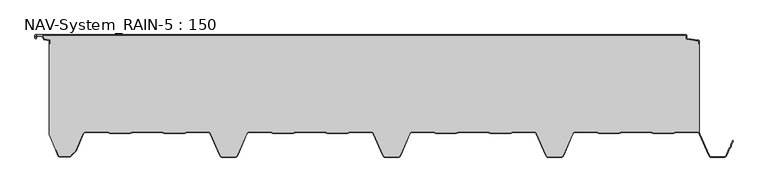
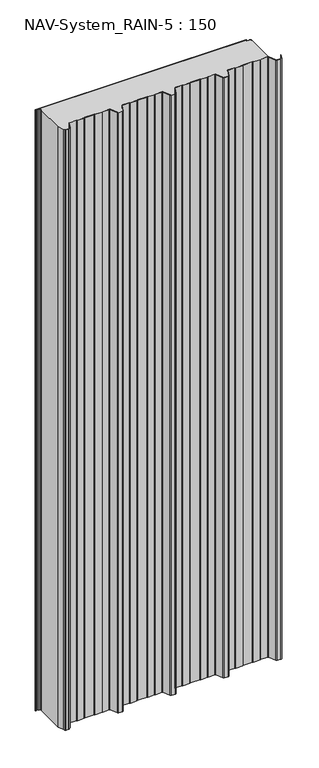
"""IFC4 building model written with IfcOpenShell, lengths in millimetres: plate geometry, NAV-System_RAIN-5 : 150."""

from ifc_helpers import new_model, si_unit, point, frame_2d, origin, origin_with_axes, place, context, project, spatial, polyline, circle_curve, trimmed, segment, composite_curve, outline, extrude, source, transform, mapped, element, save


def nav_system_rain_5_150_879e4a34(model_context):
    return source(origin(), model_context, "Body", "SweptSolid", [
        extrude(outline(composite_curve([segment(polyline([(519.0, -13.6767555), (518.2, -13.6767555), (518.2, -9.3721283), (500.4911207, -6.8818536)]), True, "CONTINUOUS"), segment(trimmed(circle_curve(frame_2d((500.7, -5.3964683)), 1.5), [point((500.4911207, -6.8818536))], [point((499.2, -5.3964683))], False, "CARTESIAN"), True, "CONTINUOUS"), segment(polyline([(499.2, -5.3964683), (499.2, -0.8), (-498.7, -0.8)]), True, "CONTINUOUS"), segment(trimmed(circle_curve(frame_2d((-498.7, -1.3)), 0.5), [point((-498.7, -0.8))], [point((-499.2, -1.3))], True, "CARTESIAN"), True, "CONTINUOUS"), segment(polyline([(-499.2, -1.3), (-499.2, -4.3700191)]), True, "CONTINUOUS"), segment(trimmed(circle_curve(frame_2d((-498.7, -4.3700191)), 0.5), [point((-499.2, -4.3700191))], [point((-498.2669873, -4.6200191))], True, "CARTESIAN"), True, "CONTINUOUS"), segment(polyline([(-498.2669873, -4.6200191), (-496.2924383, -1.2), (-488.9841833, -1.2), (-485.8164586, -6.6866602), (-477.2, -7.898332), (-477.2, -13.6767555), (-478.0, -13.6767555), (-478.0, -8.5937048), (-485.6863953, -7.5128213)]), True, "CONTINUOUS"), segment(trimmed(circle_curve(frame_2d((-485.5053666, -6.2254873)), 1.3), [point((-485.6863953, -7.5128213))], [point((-486.6311996, -6.8754873))], False, "CARTESIAN"), True, "CONTINUOUS"), segment(polyline([(-486.6311996, -6.8754873), (-489.4460636, -2.0), (-495.8305581, -2.0), (-497.574167, -5.0200191)]), True, "CONTINUOUS"), segment(trimmed(circle_curve(frame_2d((-498.7, -4.3700191)), 1.3), [point((-497.574167, -5.0200191))], [point((-500.0, -4.3700191))], False, "CARTESIAN"), True, "CONTINUOUS"), segment(polyline([(-500.0, -4.3700191), (-500.0, -1.3)]), True, "CONTINUOUS"), segment(trimmed(circle_curve(frame_2d((-498.7, -1.3)), 1.3), [point((-500.0, -1.3))], [point((-498.7, 0.0))], False, "CARTESIAN"), True, "CONTINUOUS"), segment(polyline([(-498.7, 0.0), (498.7, 0.0)]), True, "CONTINUOUS"), segment(trimmed(circle_curve(frame_2d((498.7, -1.3)), 1.3), [point((498.7, 0.0))], [point((500.0, -1.3))], False, "CARTESIAN"), True, "CONTINUOUS"), segment(polyline([(500.0, -1.3), (500.0, -5.3964683)]), True, "CONTINUOUS"), segment(trimmed(circle_curve(frame_2d((500.7, -5.3964683)), 0.7), [point((500.0, -5.3964683))], [point((500.602523, -6.0896481))], True, "CARTESIAN"), True, "CONTINUOUS"), segment(polyline([(500.602523, -6.0896481), (517.8810287, -8.5194024)]), True, "CONTINUOUS"), segment(trimmed(circle_curve(frame_2d((517.7, -9.8067363)), 1.3), [point((517.8810287, -8.5194024))], [point((519.0, -9.8067363))], False, "CARTESIAN"), True, "CONTINUOUS"), segment(polyline([(519.0, -9.8067363), (519.0, -13.6767555)]), True, "CONTINUOUS")], self_intersect=False)), origin_with_axes(), (0.0, 0.0, 1.0), 3000.0),
        extrude(outline(composite_curve([segment(trimmed(circle_curve(frame_2d((515.5898022, -154.0)), 4.8), [point((519.0, -150.6220493))], [point((515.5898022, -149.2))], True, "CARTESIAN"), True, "CONTINUOUS"), segment(polyline([(515.5898022, -149.2), (483.6922468, -149.2), (479.6508228, -150.7), (448.0723788, -150.6741102), (444.1768702, -149.2), (400.3589135, -149.2), (396.3174895, -150.7), (364.7390455, -150.6741102), (360.8435369, -149.2), (328.9416341, -149.2)]), True, "CONTINUOUS"), segment(trimmed(circle_curve(frame_2d((328.9416341, -154.0)), 4.8), [point((328.9416341, -149.2))], [point((324.5314363, -152.1052295))], True, "CARTESIAN"), True, "CONTINUOUS"), segment(polyline([(324.5314363, -152.1052295), (310.330878, -185.1579242)]), True, "CONTINUOUS"), segment(trimmed(circle_curve(frame_2d((306.4719549, -183.5)), 4.2), [point((310.330878, -185.1579242))], [point((306.4719549, -187.7))], False, "CARTESIAN"), True, "CONTINUOUS"), segment(polyline([(306.4719549, -187.7), (288.0594814, -187.7)]), True, "CONTINUOUS"), segment(trimmed(circle_curve(frame_2d((288.0594814, -183.5)), 4.2), [point((288.0594814, -187.7))], [point((284.2005583, -185.1579242))], False, "CARTESIAN"), True, "CONTINUOUS"), segment(polyline([(284.2005583, -185.1579242), (270.0, -152.1052295)]), True, "CONTINUOUS"), segment(trimmed(circle_curve(frame_2d((265.5898022, -154.0)), 4.8), [point((270.0, -152.1052295))], [point((265.5898022, -149.2))], True, "CARTESIAN"), True, "CONTINUOUS"), segment(polyline([(265.5898022, -149.2), (233.6922468, -149.2), (229.6508228, -150.7), (198.0723788, -150.6741102), (194.1768702, -149.2), (150.3589135, -149.2), (146.3174895, -150.7), (114.8074622, -150.7), (110.8435369, -149.2), (78.9416341, -149.2)]), True, "CONTINUOUS"), segment(trimmed(circle_curve(frame_2d((78.9416341, -154.0)), 4.8), [point((78.9416341, -149.2))], [point((74.5314363, -152.1052295))], True, "CARTESIAN"), True, "CONTINUOUS"), segment(polyline([(74.5314363, -152.1052295), (60.330878, -185.1579242)]), True, "CONTINUOUS"), segment(trimmed(circle_curve(frame_2d((56.4719549, -183.5)), 4.2), [point((60.330878, -185.1579242))], [point((56.4719549, -187.7))], False, "CARTESIAN"), True, "CONTINUOUS"), segment(polyline([(56.4719549, -187.7), (38.0594814, -187.7)]), True, "CONTINUOUS"), segment(trimmed(circle_curve(frame_2d((38.0594814, -183.5)), 4.2), [point((38.0594814, -187.7))], [point((34.2005583, -185.1579242))], False, "CARTESIAN"), True, "CONTINUOUS"), segment(polyline([(34.2005583, -185.1579242), (20.0, -152.1052295)]), True, "CONTINUOUS"), segment(trimmed(circle_curve(frame_2d((15.5898022, -154.0)), 4.8), [point((20.0, -152.1052295))], [point((15.5898022, -149.2))], True, "CARTESIAN"), True, "CONTINUOUS"), segment(polyline([(15.5898022, -149.2), (-16.3077532, -149.2), (-20.3491772, -150.7), (-51.9276212, -150.6741102), (-55.8231298, -149.2), (-99.6410865, -149.2), (-103.6825105, -150.7), (-135.1925378, -150.7), (-139.1564631, -149.2), (-171.0583659, -149.2)]), True, "CONTINUOUS"), segment(trimmed(circle_curve(frame_2d((-171.0583659, -154.0)), 4.8), [point((-171.0583659, -149.2))], [point((-175.4685637, -152.1052295))], True, "CARTESIAN"), True, "CONTINUOUS"), segment(polyline([(-175.4685637, -152.1052295), (-189.669122, -185.1579242)]), True, "CONTINUOUS"), segment(trimmed(circle_curve(frame_2d((-193.5280451, -183.5)), 4.2), [point((-189.669122, -185.1579242))], [point((-193.5280451, -187.7))], False, "CARTESIAN"), True, "CONTINUOUS"), segment(polyline([(-193.5280451, -187.7), (-211.9405186, -187.7)]), True, "CONTINUOUS"), segment(trimmed(circle_curve(frame_2d((-211.9405186, -183.5)), 4.2), [point((-211.9405186, -187.7))], [point((-215.7994417, -185.1579242))], False, "CARTESIAN"), True, "CONTINUOUS"), segment(polyline([(-215.7994417, -185.1579242), (-230.0, -152.1052295)]), True, "CONTINUOUS"), segment(trimmed(circle_curve(frame_2d((-234.4101978, -154.0)), 4.8), [point((-230.0, -152.1052295))], [point((-234.4101978, -149.2))], True, "CARTESIAN"), True, "CONTINUOUS"), segment(polyline([(-234.4101978, -149.2), (-266.3077532, -149.2), (-270.3491772, -150.7), (-301.9276212, -150.6741102), (-305.8231298, -149.2), (-349.6410865, -149.2), (-353.6825105, -150.7), (-385.1925378, -150.7), (-389.1564631, -149.2), (-421.9290751, -149.2)]), True, "CONTINUOUS"), segment(trimmed(circle_curve(frame_2d((-421.9290751, -154.0)), 4.8), [point((-421.9290751, -149.2))], [point((-426.3392729, -152.1052295))], True, "CARTESIAN"), True, "CONTINUOUS"), segment(polyline([(-426.3392729, -152.1052295), (-437.4245651, -177.9069459)]), True, "CONTINUOUS"), segment(trimmed(circle_curve(frame_2d((-441.2834882, -176.2490217)), 4.2), [point((-437.4245651, -177.9069459))], [point((-438.3136397, -179.2188701))], False, "CARTESIAN"), True, "CONTINUOUS"), segment(polyline([(-438.3136397, -179.2188701), (-444.764618, -185.6698485)]), True, "CONTINUOUS"), segment(trimmed(circle_curve(frame_2d((-447.7344665, -182.7)), 4.2), [point((-444.764618, -185.6698485))], [point((-447.7344665, -186.9))], False, "CARTESIAN"), True, "CONTINUOUS"), segment(polyline([(-447.7344665, -186.9), (-461.1405186, -186.9)]), True, "CONTINUOUS"), segment(trimmed(circle_curve(frame_2d((-461.1405186, -183.7)), 3.2), [point((-461.1405186, -186.9))], [point((-464.1022482, -184.9116756))], False, "CARTESIAN"), True, "CONTINUOUS"), segment(polyline([(-464.1022482, -184.9116756), (-467.6292254, -176.2905951), (-468.3696578, -176.593514), (-478.0, -153.053822), (-478.0, -13.6767555), (-477.2, -13.6767555), (-477.2, -7.898332), (-485.8164586, -6.6866602), (-488.9841833, -1.2), (-496.2924383, -1.2), (-498.2669873, -4.6200191)]), True, "CONTINUOUS"), segment(trimmed(circle_curve(frame_2d((-498.7, -4.3700191)), 0.5), [point((-498.2669873, -4.6200191))], [point((-499.2, -4.3700191))], False, "CARTESIAN"), True, "CONTINUOUS"), segment(polyline([(-499.2, -4.3700191), (-499.2, -1.3)]), True, "CONTINUOUS"), segment(trimmed(circle_curve(frame_2d((-498.7, -1.3)), 0.5), [point((-499.2, -1.3))], [point((-498.7, -0.8))], False, "CARTESIAN"), True, "CONTINUOUS"), segment(polyline([(-498.7, -0.8), (499.2, -0.8), (499.2, -5.3964683)]), True, "CONTINUOUS"), segment(trimmed(circle_curve(frame_2d((500.7, -5.3964683)), 1.5), [point((499.2, -5.3964683))], [point((500.4911207, -6.8818536))], True, "CARTESIAN"), True, "CONTINUOUS"), segment(polyline([(500.4911207, -6.8818536), (518.2, -9.3721283), (518.2, -13.6767555), (519.0, -13.6767555), (519.0, -150.6220493)]), True, "CONTINUOUS")], self_intersect=False)), origin_with_axes(), (0.0, 0.0, 1.0), 3000.0),
        extrude(outline(composite_curve([segment(polyline([(-464.8430228, -185.2145945), (-468.37, -176.593514), (-467.6295676, -176.2905951), (-464.1025904, -184.9116756)]), True, "CONTINUOUS"), segment(trimmed(circle_curve(frame_2d((-461.1408608, -183.7)), 3.2), [point((-464.1025904, -184.9116756))], [point((-461.1408608, -186.9))], True, "CARTESIAN"), True, "CONTINUOUS"), segment(polyline([(-461.1408608, -186.9), (-447.7348087, -186.9)]), True, "CONTINUOUS"), segment(trimmed(circle_curve(frame_2d((-447.7348087, -182.7)), 4.2), [point((-447.7348087, -186.9))], [point((-444.7649603, -185.6698485))], True, "CARTESIAN"), True, "CONTINUOUS"), segment(polyline([(-444.7649603, -185.6698485), (-438.3139819, -179.2188701)]), True, "CONTINUOUS"), segment(trimmed(circle_curve(frame_2d((-441.2838304, -176.2490217)), 4.2), [point((-438.3139819, -179.2188701))], [point((-437.4249073, -177.9069459))], True, "CARTESIAN"), True, "CONTINUOUS"), segment(polyline([(-437.4249073, -177.9069459), (-426.3396151, -152.1052295)]), True, "CONTINUOUS"), segment(trimmed(circle_curve(frame_2d((-421.9294173, -154.0)), 4.8), [point((-426.3396151, -152.1052295))], [point((-421.9294173, -149.2))], False, "CARTESIAN"), True, "CONTINUOUS"), segment(polyline([(-421.9294173, -149.2), (-389.1568054, -149.2), (-385.19288, -150.7), (-353.6828527, -150.7), (-349.6414287, -149.2), (-305.8234721, -149.2), (-301.9279634, -150.6741102), (-270.3495194, -150.7), (-266.3080954, -149.2), (-234.41054, -149.2)]), True, "CONTINUOUS"), segment(trimmed(circle_curve(frame_2d((-234.41054, -154.0)), 4.8), [point((-234.41054, -149.2))], [point((-230.0003422, -152.1052295))], False, "CARTESIAN"), True, "CONTINUOUS"), segment(polyline([(-230.0003422, -152.1052295), (-215.7997839, -185.1579242)]), True, "CONTINUOUS"), segment(trimmed(circle_curve(frame_2d((-211.9408608, -183.5)), 4.2), [point((-215.7997839, -185.1579242))], [point((-211.9408608, -187.7))], True, "CARTESIAN"), True, "CONTINUOUS"), segment(polyline([(-211.9408608, -187.7), (-193.5283873, -187.7)]), True, "CONTINUOUS"), segment(trimmed(circle_curve(frame_2d((-193.5283873, -183.5)), 4.2), [point((-193.5283873, -187.7))], [point((-189.6694642, -185.1579242))], True, "CARTESIAN"), True, "CONTINUOUS"), segment(polyline([(-189.6694642, -185.1579242), (-175.4689059, -152.1052295)]), True, "CONTINUOUS"), segment(trimmed(circle_curve(frame_2d((-171.0587081, -154.0)), 4.8), [point((-175.4689059, -152.1052295))], [point((-171.0587081, -149.2))], False, "CARTESIAN"), True, "CONTINUOUS"), segment(polyline([(-171.0587081, -149.2), (-139.1568054, -149.2), (-135.2612967, -150.6741102), (-103.6828527, -150.7), (-99.6414287, -149.2), (-55.8234721, -149.2), (-51.9279634, -150.6741102), (-20.3495194, -150.7), (-16.3080954, -149.2), (15.58946, -149.2)]), True, "CONTINUOUS"), segment(trimmed(circle_curve(frame_2d((15.58946, -154.0)), 4.8), [point((15.58946, -149.2))], [point((19.9996578, -152.1052295))], False, "CARTESIAN"), True, "CONTINUOUS"), segment(polyline([(19.9996578, -152.1052295), (34.2002161, -185.1579242)]), True, "CONTINUOUS"), segment(trimmed(circle_curve(frame_2d((38.0591392, -183.5)), 4.2), [point((34.2002161, -185.1579242))], [point((38.0591392, -187.7))], True, "CARTESIAN"), True, "CONTINUOUS"), segment(polyline([(38.0591392, -187.7), (56.4716127, -187.7)]), True, "CONTINUOUS"), segment(trimmed(circle_curve(frame_2d((56.4716127, -183.5)), 4.2), [point((56.4716127, -187.7))], [point((60.3305358, -185.1579242))], True, "CARTESIAN"), True, "CONTINUOUS"), segment(polyline([(60.3305358, -185.1579242), (74.5310941, -152.1052295)]), True, "CONTINUOUS"), segment(trimmed(circle_curve(frame_2d((78.9412919, -154.0)), 4.8), [point((74.5310941, -152.1052295))], [point((78.9412919, -149.2))], False, "CARTESIAN"), True, "CONTINUOUS"), segment(polyline([(78.9412919, -149.2), (110.8431946, -149.2), (114.7387033, -150.6741102), (146.3171473, -150.7), (150.3585713, -149.2), (194.1765279, -149.2), (198.0720366, -150.6741102), (229.6504806, -150.7), (233.6919046, -149.2), (265.58946, -149.2)]), True, "CONTINUOUS"), segment(trimmed(circle_curve(frame_2d((265.58946, -154.0)), 4.8), [point((265.58946, -149.2))], [point((269.9996578, -152.1052295))], False, "CARTESIAN"), True, "CONTINUOUS"), segment(polyline([(269.9996578, -152.1052295), (284.2002161, -185.1579242)]), True, "CONTINUOUS"), segment(trimmed(circle_curve(frame_2d((288.0591392, -183.5)), 4.2), [point((284.2002161, -185.1579242))], [point((288.0591392, -187.7))], True, "CARTESIAN"), True, "CONTINUOUS"), segment(polyline([(288.0591392, -187.7), (306.4716127, -187.7)]), True, "CONTINUOUS"), segment(trimmed(circle_curve(frame_2d((306.4716127, -183.5)), 4.2), [point((306.4716127, -187.7))], [point((310.3305358, -185.1579242))], True, "CARTESIAN"), True, "CONTINUOUS"), segment(polyline([(310.3305358, -185.1579242), (324.5310941, -152.1052295)]), True, "CONTINUOUS"), segment(trimmed(circle_curve(frame_2d((328.9412919, -154.0)), 4.8), [point((324.5310941, -152.1052295))], [point((328.9412919, -149.2))], False, "CARTESIAN"), True, "CONTINUOUS"), segment(polyline([(328.9412919, -149.2), (360.8431946, -149.2), (364.7387033, -150.6741102), (396.3171473, -150.7), (400.3585713, -149.2), (444.1765279, -149.2), (448.0720366, -150.6741102), (479.6504806, -150.7), (483.6919046, -149.2), (515.58946, -149.2)]), True, "CONTINUOUS"), segment(trimmed(circle_curve(frame_2d((515.58946, -154.0)), 4.8), [point((515.58946, -149.2))], [point((519.9996578, -152.1052295))], False, "CARTESIAN"), True, "CONTINUOUS"), segment(polyline([(519.9996578, -152.1052295), (534.2002161, -185.1579242)]), True, "CONTINUOUS"), segment(trimmed(circle_curve(frame_2d((538.0591392, -183.5)), 4.2), [point((534.2002161, -185.1579242))], [point((538.0591392, -187.7))], True, "CARTESIAN"), True, "CONTINUOUS"), segment(polyline([(538.0591392, -187.7), (556.4716127, -187.7)]), True, "CONTINUOUS"), segment(trimmed(circle_curve(frame_2d((556.4716127, -183.5)), 4.2), [point((556.4716127, -187.7))], [point((560.3305358, -185.1579242))], True, "CARTESIAN"), True, "CONTINUOUS"), segment(polyline([(560.3305358, -185.1579242), (565.2356202, -173.741031), (567.1121268, -172.0654564), (567.0358547, -169.5508717), (570.0831709, -162.458051), (570.8182039, -162.7738461), (567.8408612, -169.703799), (567.9230626, -172.4138642), (565.9006789, -174.2196957), (561.0655687, -185.4737193)]), True, "CONTINUOUS"), segment(trimmed(circle_curve(frame_2d((556.4716127, -183.5)), 5.0), [point((561.0655687, -185.4737193))], [point((556.4716127, -188.5))], False, "CARTESIAN"), True, "CONTINUOUS"), segment(polyline([(556.4716127, -188.5), (538.0591392, -188.5)]), True, "CONTINUOUS"), segment(trimmed(circle_curve(frame_2d((538.0591392, -183.5)), 5.0), [point((538.0591392, -188.5))], [point((533.4651831, -185.4737193))], False, "CARTESIAN"), True, "CONTINUOUS"), segment(polyline([(533.4651831, -185.4737193), (519.2646248, -152.4210246)]), True, "CONTINUOUS"), segment(trimmed(circle_curve(frame_2d((515.58946, -154.0)), 4.0), [point((519.2646248, -152.4210246))], [point((515.58946, -150.0))], True, "CARTESIAN"), True, "CONTINUOUS"), segment(polyline([(515.58946, -150.0), (483.8338601, -150.0), (479.8699347, -151.5), (447.9941505, -151.5), (444.0302251, -150.0), (400.5005268, -150.0), (396.5366014, -151.5), (364.6608172, -151.5), (360.6968918, -150.0), (328.9412919, -150.0)]), True, "CONTINUOUS"), segment(trimmed(circle_curve(frame_2d((328.9412919, -154.0)), 4.0), [point((328.9412919, -150.0))], [point((325.2661271, -152.4210246))], True, "CARTESIAN"), True, "CONTINUOUS"), segment(polyline([(325.2661271, -152.4210246), (311.0655687, -185.4737193)]), True, "CONTINUOUS"), segment(trimmed(circle_curve(frame_2d((306.4716127, -183.5)), 5.0), [point((311.0655687, -185.4737193))], [point((306.4716127, -188.5))], False, "CARTESIAN"), True, "CONTINUOUS"), segment(polyline([(306.4716127, -188.5), (288.0591392, -188.5)]), True, "CONTINUOUS"), segment(trimmed(circle_curve(frame_2d((288.0591392, -183.5)), 5.0), [point((288.0591392, -188.5))], [point((283.4651831, -185.4737193))], False, "CARTESIAN"), True, "CONTINUOUS"), segment(polyline([(283.4651831, -185.4737193), (269.2646248, -152.4210246)]), True, "CONTINUOUS"), segment(trimmed(circle_curve(frame_2d((265.58946, -154.0)), 4.0), [point((269.2646248, -152.4210246))], [point((265.58946, -150.0))], True, "CARTESIAN"), True, "CONTINUOUS"), segment(polyline([(265.58946, -150.0), (233.8338601, -150.0), (229.8699347, -151.5), (197.9941505, -151.5), (194.0302251, -150.0), (150.5005268, -150.0), (146.5366014, -151.5), (114.6608172, -151.5), (110.6968918, -150.0), (78.9412919, -150.0)]), True, "CONTINUOUS"), segment(trimmed(circle_curve(frame_2d((78.9412919, -154.0)), 4.0), [point((78.9412919, -150.0))], [point((75.2661271, -152.4210246))], True, "CARTESIAN"), True, "CONTINUOUS"), segment(polyline([(75.2661271, -152.4210246), (61.0655687, -185.4737193)]), True, "CONTINUOUS"), segment(trimmed(circle_curve(frame_2d((56.4716127, -183.5)), 5.0), [point((61.0655687, -185.4737193))], [point((56.4716127, -188.5))], False, "CARTESIAN"), True, "CONTINUOUS"), segment(polyline([(56.4716127, -188.5), (38.0591392, -188.5)]), True, "CONTINUOUS"), segment(trimmed(circle_curve(frame_2d((38.0591392, -183.5)), 5.0), [point((38.0591392, -188.5))], [point((33.4651831, -185.4737193))], False, "CARTESIAN"), True, "CONTINUOUS"), segment(polyline([(33.4651831, -185.4737193), (19.2646248, -152.4210246)]), True, "CONTINUOUS"), segment(trimmed(circle_curve(frame_2d((15.58946, -154.0)), 4.0), [point((19.2646248, -152.4210246))], [point((15.58946, -150.0))], True, "CARTESIAN"), True, "CONTINUOUS"), segment(polyline([(15.58946, -150.0), (-16.1661399, -150.0), (-20.1300653, -151.5), (-52.0058495, -151.5), (-55.9697749, -150.0), (-99.4994732, -150.0), (-103.4633986, -151.5), (-135.3391828, -151.5), (-139.3031082, -150.0), (-171.0587081, -150.0)]), True, "CONTINUOUS"), segment(trimmed(circle_curve(frame_2d((-171.0587081, -154.0)), 4.0), [point((-171.0587081, -150.0))], [point((-174.7338729, -152.4210246))], True, "CARTESIAN"), True, "CONTINUOUS"), segment(polyline([(-174.7338729, -152.4210246), (-188.9344313, -185.4737193)]), True, "CONTINUOUS"), segment(trimmed(circle_curve(frame_2d((-193.5283873, -183.5)), 5.0), [point((-188.9344313, -185.4737193))], [point((-193.5283873, -188.5))], False, "CARTESIAN"), True, "CONTINUOUS"), segment(polyline([(-193.5283873, -188.5), (-211.9408608, -188.5)]), True, "CONTINUOUS"), segment(trimmed(circle_curve(frame_2d((-211.9408608, -183.5)), 5.0), [point((-211.9408608, -188.5))], [point((-216.5348169, -185.4737193))], False, "CARTESIAN"), True, "CONTINUOUS"), segment(polyline([(-216.5348169, -185.4737193), (-230.7353752, -152.4210246)]), True, "CONTINUOUS"), segment(trimmed(circle_curve(frame_2d((-234.41054, -154.0)), 4.0), [point((-230.7353752, -152.4210246))], [point((-234.41054, -150.0))], True, "CARTESIAN"), True, "CONTINUOUS"), segment(polyline([(-234.41054, -150.0), (-266.1661399, -150.0), (-270.1300653, -151.5), (-302.0058495, -151.5), (-305.9697749, -150.0), (-349.4994732, -150.0), (-353.4633986, -151.5), (-385.3391828, -151.5), (-389.3031082, -150.0), (-421.9294173, -150.0)]), True, "CONTINUOUS"), segment(trimmed(circle_curve(frame_2d((-421.9294173, -154.0)), 4.0), [point((-421.9294173, -150.0))], [point((-425.6045822, -152.4210246))], True, "CARTESIAN"), True, "CONTINUOUS"), segment(polyline([(-425.6045822, -152.4210246), (-436.6898744, -178.2227409)]), True, "CONTINUOUS"), segment(trimmed(circle_curve(frame_2d((-441.2838304, -176.2490217)), 5.0), [point((-436.6898744, -178.2227409))], [point((-437.7482965, -179.7845556))], False, "CARTESIAN"), True, "CONTINUOUS"), segment(polyline([(-437.7482965, -179.7845556), (-444.1992748, -186.2355339)]), True, "CONTINUOUS"), segment(trimmed(circle_curve(frame_2d((-447.7348087, -182.7)), 5.0), [point((-444.1992748, -186.2355339))], [point((-447.7348087, -187.7))], False, "CARTESIAN"), True, "CONTINUOUS"), segment(polyline([(-447.7348087, -187.7), (-461.1408608, -187.7)]), True, "CONTINUOUS"), segment(trimmed(circle_curve(frame_2d((-461.1408608, -183.7)), 4.0), [point((-461.1408608, -187.7))], [point((-464.8430228, -185.2145945))], False, "CARTESIAN"), True, "CONTINUOUS")], self_intersect=False)), origin_with_axes(), (0.0, 0.0, 1.0), 3000.0),
    ])


if __name__ == "__main__":
    model = new_model("IFC4")
    model_context = context("Model", 3, world=origin())
    ifc_project = project(units=[si_unit("LENGTHUNIT", "METRE", prefix="MILLI")], contexts=[model_context])
    site = spatial("IfcSite", under=ifc_project)
    building = spatial("IfcBuilding", under=site)
    placement = place(None, origin())
    nav_system_rain_5_150_shape = nav_system_rain_5_150_879e4a34(model_context)
    element("IfcPlate", 1, ObjectType="NAV-System_RAIN-5 : 150", at=placement, inside=building, context=model_context, shape_type="MappedRepresentation", body=[
        mapped(nav_system_rain_5_150_shape, transform((0.0, 0.0, 0.0), x_axis=(1.0, 0.0, 0.0), y_axis=(0.0, 1.0, 0.0), z_axis=(0.0, 0.0, 1.0))),
    ])
    save(model, "model.ifc")
